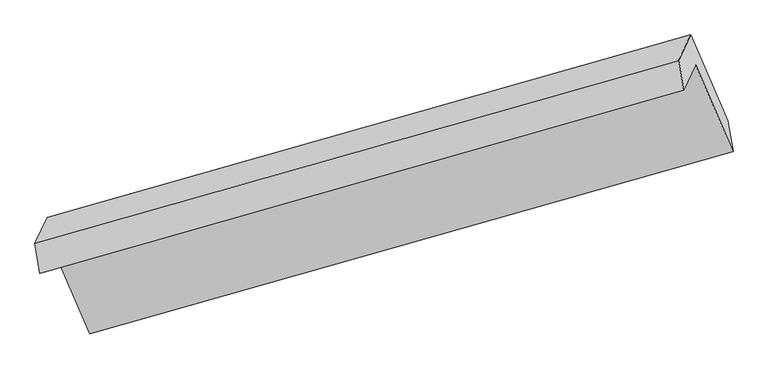
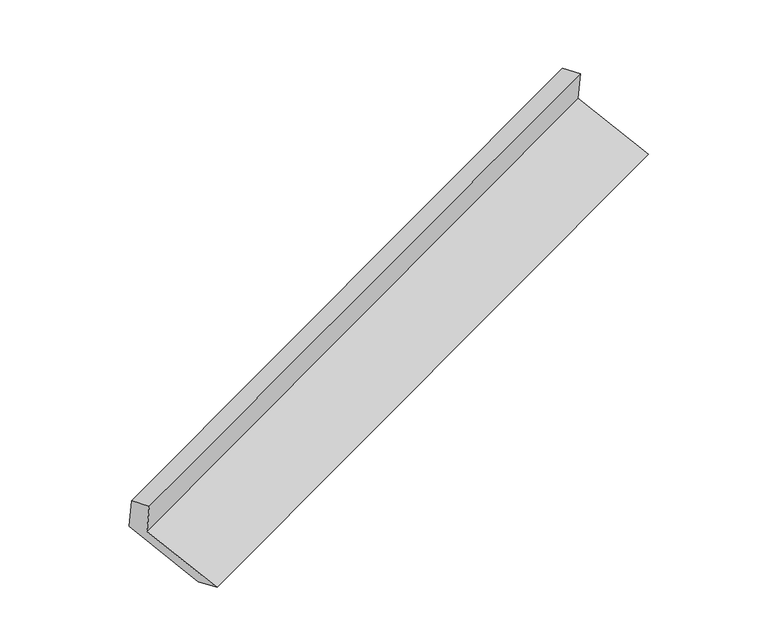
"""IFC4 building model written with IfcOpenShell, lengths in millimetres: proxy geometry."""

from ifc_helpers import new_model, si_unit, origin, place, context, project, spatial, faceted_brep, source, transform, mapped, element, save


def generic_models_83ae455e(model_context):
    return source(origin(), model_context, "Body", "Brep", [
        faceted_brep([(-5140.9233356, -2143.4087549, 1487.1938189), (-5058.9267509, -1966.9820977, 1126.2553239), (-741.3025186, -742.2929543, 2705.7439641), (-821.2993436, -914.4168602, 3057.8797725), (-5174.7029463, -1942.9254868, 1423.0439632), (-855.0789543, -713.933592, 2993.7299168), (-5092.7063616, -1766.4988296, 1062.1054682), (-775.0821293, -541.8096861, 2641.5941084), (-4845.6108112, -2341.8732921, 836.9967504), (-527.9865788, -1117.1841486, 2416.4853906), (-4808.1178321, -2551.0033258, 897.7636573), (-490.4935998, -1326.3141823, 2477.2522975)], [[[0, 1, 2, 3]], [[4, 0, 3, 5]], [[6, 4, 5, 7]], [[8, 6, 7, 9]], [[10, 8, 9, 11]], [[1, 10, 11, 2]], [[9, 7, 5, 3, 2, 11]], [[1, 0, 4, 6, 8, 10]]]),
    ])


if __name__ == "__main__":
    model = new_model("IFC4")
    model_context = context("Model", 3, world=origin())
    ifc_project = project(units=[si_unit("LENGTHUNIT", "METRE", prefix="MILLI")], contexts=[model_context])
    site = spatial("IfcSite", under=ifc_project)
    building = spatial("IfcBuilding", under=site)
    placement = place(None, origin())
    generic_models_shape = generic_models_83ae455e(model_context)
    element("IfcBuildingElementProxy", 1, Name="Generic Models", at=placement, inside=building, context=model_context, shape_type="MappedRepresentation", body=[
        mapped(generic_models_shape, transform((0.0, 0.0, 0.0), x_axis=(1.0, 0.0, 0.0), y_axis=(0.0, 1.0, 0.0), z_axis=(0.0, 0.0, 1.0))),
    ])
    save(model, "model.ifc")
